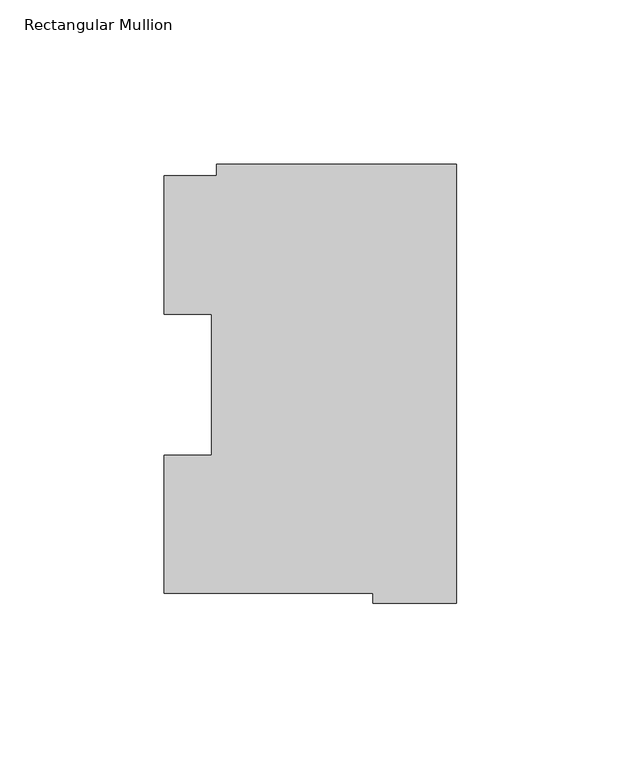
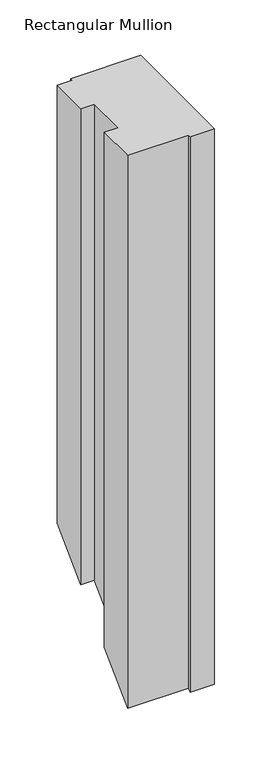
"""IFC4 building model written with IfcOpenShell, lengths in millimetres: member geometry, Rectangular Mullion."""

import ifcopenshell
import ifcopenshell.guid

model = None  # the IFC model being written
_history = None  # IfcOwnerHistory: only IFC2X3 demands one
_inside = {}  # id of a spatial element -> (the spatial element, [elements in it])
_under = {}  # id of a project, library or spatial element -> (it, [spatial elements below it])
_declared = {}  # id of a project -> (the project, [libraries it declares])
_typed = {}  # id of a type object -> (the type object, [elements of that type])
_made_of = {}  # id of a material, layer set ... -> (it, [elements and type objects made of it])


def new_model(schema):
    """Start an empty IFC model of exactly this schema.

    Asked for "IFC4X3", IfcOpenShell would pick the latest addendum, in which some entities
    have other attributes; the version numbers below select the first issue.
    IFC2X3 requires an IfcOwnerHistory on every rooted entity: one is made here for all.
    """
    global model, _history
    if schema == "IFC4X3":
        model = ifcopenshell.file(schema_version=(4, 3, 0, 0))
    else:
        model = ifcopenshell.file(schema=schema)
    _inside.clear()
    _under.clear()
    _declared.clear()
    _typed.clear()
    _made_of.clear()
    _history = None
    if model.schema == "IFC2X3":
        org = make("IfcOrganization", Name="unknown")
        user = make(
            "IfcPersonAndOrganization",
            ThePerson=make("IfcPerson", FamilyName="unknown"),
            TheOrganization=org,
        )
        app = make(
            "IfcApplication",
            ApplicationDeveloper=org,
            Version="unknown",
            ApplicationFullName="unknown",
            ApplicationIdentifier="unknown",
        )
        _history = make(
            "IfcOwnerHistory",
            OwningUser=user,
            OwningApplication=app,
            ChangeAction="ADDED",
            CreationDate=0,
        )
    return model


def make(cls, **values):
    """One entity of the class cls with the attributes given. An attribute that is None is left unset."""
    return model.create_entity(
        cls, **{name: value for name, value in values.items() if value is not None}
    )


def rooted(cls, **values):
    """An entity with a GlobalId (a new one), such as an element, a storey or a relation."""
    return make(cls, GlobalId=ifcopenshell.guid.new(), OwnerHistory=_history, **values)


def si_unit(unit_type, name, prefix=None):
    """IfcSIUnit, for example si_unit("LENGTHUNIT", "METRE", prefix="MILLI")."""
    return make("IfcSIUnit", UnitType=unit_type, Prefix=prefix, Name=name)


def assignment(units):
    """IfcUnitAssignment: the units of a project."""
    return None if units is None else make("IfcUnitAssignment", Units=units)


def point(xyz):
    """IfcCartesianPoint."""
    return None if xyz is None else make("IfcCartesianPoint", Coordinates=xyz)


def direction(xyz):
    """IfcDirection."""
    return None if xyz is None else make("IfcDirection", DirectionRatios=xyz)


def frame(location, z_axis=None, x_axis=None):
    """IfcAxis2Placement3D, a coordinate frame: its origin and axes. An axis left out is left unset."""
    return make(
        "IfcAxis2Placement3D",
        Location=point(location),
        Axis=direction(z_axis),
        RefDirection=direction(x_axis),
    )


def origin():
    """The frame at (0, 0, 0) with its axes left unset."""
    return frame((0.0, 0.0, 0.0))


def place(relative_to, where):
    """IfcLocalPlacement: puts the frame where relative to a parent placement (None: the world)."""
    return make(
        "IfcLocalPlacement", PlacementRelTo=relative_to, RelativePlacement=where
    )


def context(
    kind, dimensions, precision=None, world=None, true_north=None, identifier=None
):
    """IfcGeometricRepresentationContext, for example the 3D "Model" context."""
    return make(
        "IfcGeometricRepresentationContext",
        ContextIdentifier=identifier,
        ContextType=kind,
        CoordinateSpaceDimension=dimensions,
        Precision=precision,
        WorldCoordinateSystem=world,
        TrueNorth=true_north,
    )


def project(units=None, contexts=None):
    """IfcProject with its units and contexts."""
    return rooted(
        "IfcProject",
        Name="project",
        RepresentationContexts=contexts,
        UnitsInContext=assignment(units),
    )


def spatial(cls, under=None, at=None, **own):
    """A site, building, storey or space (cls), placed at a placement, below another one or the project."""
    s = rooted(cls, ObjectPlacement=at, **own)
    if under is not None:
        _under.setdefault(under.id(), (under, []))[1].append(s)
    return s


def faces_of(points, faces, orient=None, outer=None):
    """IfcFace entities. A face is a list of loops; a loop is a list of indices into points, from 0.

    orient and outer hold one flag for each loop. By default every Orientation is true, the
    first loop of a face is its IfcFaceOuterBound and the others are IfcFaceBound.
    """
    made = []
    for i, loops in enumerate(faces):
        bounds = []
        for j, loop in enumerate(loops):
            is_outer = j == 0 if outer is None else outer[i][j]
            bounds.append(
                make(
                    "IfcFaceOuterBound" if is_outer else "IfcFaceBound",
                    Bound=make("IfcPolyLoop", Polygon=[points[k] for k in loop]),
                    Orientation=True if orient is None else orient[i][j],
                )
            )
        made.append(make("IfcFace", Bounds=bounds))
    return made


def faceted_brep(points, faces, orient=None, outer=None, voids=None):
    """IfcFacetedBrep: a solid bounded by flat faces; with voids (closed shells), ...WithVoids."""
    shared = [point(p) for p in points]
    hull = make("IfcClosedShell", CfsFaces=faces_of(shared, faces, orient, outer))
    if voids is None:
        return make("IfcFacetedBrep", Outer=hull)
    return make(
        "IfcFacetedBrepWithVoids",
        Outer=hull,
        Voids=[
            make(cls, CfsFaces=faces_of(shared, fs, o, b)) for cls, fs, o, b in voids
        ],
    )


def shape(context_of_items, identifier, shape_type, items):
    """IfcShapeRepresentation: the items that make up one representation, for example the "Body"."""
    return make(
        "IfcShapeRepresentation",
        ContextOfItems=context_of_items,
        RepresentationIdentifier=identifier,
        RepresentationType=shape_type,
        Items=items,
    )


def source(mapping_origin, context_of_items, identifier, shape_type, items):
    """IfcRepresentationMap: a shape defined once, which mapped items show again and again."""
    return make(
        "IfcRepresentationMap",
        MappingOrigin=mapping_origin,
        MappedRepresentation=shape(context_of_items, identifier, shape_type, items),
    )


def transform(
    local_origin,
    x_axis=None,
    y_axis=None,
    z_axis=None,
    scale=None,
    scale2=None,
    scale3=None,
    uniform=True,
):
    """IfcCartesianTransformationOperator3D, or its non-uniform kind. x_axis, y_axis, z_axis: its Axis1, 2, 3."""
    if uniform:
        return make(
            "IfcCartesianTransformationOperator3D",
            Axis1=direction(x_axis),
            Axis2=direction(y_axis),
            LocalOrigin=point(local_origin),
            Scale=scale,
            Axis3=direction(z_axis),
        )
    return make(
        "IfcCartesianTransformationOperator3DnonUniform",
        Axis1=direction(x_axis),
        Axis2=direction(y_axis),
        LocalOrigin=point(local_origin),
        Scale=scale,
        Axis3=direction(z_axis),
        Scale2=scale2,
        Scale3=scale3,
    )


def mapped(mapping_source, mapping_target):
    """IfcMappedItem: shows the shape of a source again, moved by a transform."""
    return make(
        "IfcMappedItem", MappingSource=mapping_source, MappingTarget=mapping_target
    )


def made_of(thing, what):
    """Note that an element or type object is made of a material, layer set ...; save() writes the relation."""
    if what is not None:
        _made_of.setdefault(what.id(), (what, []))[1].append(thing)
    return thing


def element(
    cls,
    number,
    at=None,
    inside=None,
    cuts=None,
    type_object=None,
    material=None,
    context=None,
    identifier="Body",
    shape_type=None,
    held_by="IfcProductDefinitionShape",
    body=None,
    shapes=None,
    **own,
):
    """One element of the class cls, such as IfcWall. Its Tag is "e" and its number.

    at: its placement. inside: the storey or other place that contains it. cuts: it is an
    opening in that element (IfcRelVoidsElement). A single representation is given by context,
    identifier, shape_type and body (its items); several are given by shapes. held_by: the class
    of the entity that holds the representations. save() writes the other relations.
    """
    e = rooted(cls, Tag="e%d" % number, ObjectPlacement=at, **own)
    if body is not None:
        shapes = [shape(context, identifier, shape_type, body)]
    if shapes is not None:
        e.Representation = make(held_by, Representations=shapes)
    if inside is not None:
        _inside.setdefault(inside.id(), (inside, []))[1].append(e)
    if cuts is not None:
        rooted(
            "IfcRelVoidsElement", RelatingBuildingElement=cuts, RelatedOpeningElement=e
        )
    if type_object is not None:
        _typed.setdefault(type_object.id(), (type_object, []))[1].append(e)
    return made_of(e, material)


def aggregate(whole, parts):
    """IfcRelAggregates: a whole, such as a stair, and the parts it consists of."""
    return rooted("IfcRelAggregates", RelatingObject=whole, RelatedObjects=parts)


def save(model, path):
    """Write the relations noted so far, then the file.

    IfcRelAggregates (storeys below a building ...), IfcRelContainedInSpatialStructure (elements
    in a storey), IfcRelDefinesByType, IfcRelAssociatesMaterial and IfcRelDeclares: one each for
    every whole, place, type object, material and project.
    """
    for whole, parts in _under.values():
        aggregate(whole, parts)
    for where, things in _inside.values():
        rooted(
            "IfcRelContainedInSpatialStructure",
            RelatedElements=things,
            RelatingStructure=where,
        )
    for kind, things in _typed.values():
        rooted("IfcRelDefinesByType", RelatedObjects=things, RelatingType=kind)
    for what, things in _made_of.values():
        rooted("IfcRelAssociatesMaterial", RelatedObjects=things, RelatingMaterial=what)
    for by, libraries in _declared.values():
        rooted("IfcRelDeclares", RelatingContext=by, RelatedDefinitions=libraries)
    model.write(path)


def rectangular_mullion_bdfb31a0(model_context):
    return source(origin(), model_context, "Body", "Brep", [
        faceted_brep([(-88.8772701, 127.006348, 0.0), (-88.8772701, 84.93125, 0.0), (-74.4684922, 84.93125, 0.0), (-74.4684922, 42.0814491, 0.0), (-88.8772701, 42.0814491, 0.0), (-88.8772701, 0.0063465, 0.0), (-25.3772701, 0.0063465, 0.0), (-25.3772701, -2.939538, 0.0), (0.0, -2.939538, 0.0), (0.0, 130.4246837, 0.0), (-73.025, 130.4246837, 0.0), (-73.025, 127.006348, 0.0), (-88.8772701, 127.006348, -482.593652), (-88.8772701, 84.93125, -524.66875), (-74.4684922, 84.93125, -524.66875), (-74.4684922, 42.0814491, -567.5185509), (-88.8772701, 42.0814491, -567.5185509), (-88.8772701, 0.0063465, -609.5936535), (-25.3772701, 0.0063465, -609.5936535), (-25.3772701, -2.939538, -612.539538), (0.0, -2.939538, -612.539538), (0.0, 130.4246837, -479.1753163), (-73.025, 127.006348, -482.593652), (-73.025, 130.4246837, -479.1753163)], [[[0, 1, 2, 3, 4, 5, 6, 7, 8, 9, 10, 11]], [[1, 0, 12, 13]], [[2, 1, 13, 14]], [[3, 2, 14, 15]], [[4, 3, 15, 16]], [[5, 4, 16, 17]], [[6, 5, 17, 18]], [[7, 6, 18, 19]], [[8, 7, 19, 20]], [[9, 8, 20, 21]], [[0, 11, 22, 12]], [[12, 22, 23, 21, 20, 19, 18, 17, 16, 15, 14, 13]], [[10, 9, 21, 23]], [[11, 10, 23, 22]]]),
    ])


if __name__ == "__main__":
    model = new_model("IFC4")
    model_context = context("Model", 3, world=origin())
    ifc_project = project(units=[si_unit("LENGTHUNIT", "METRE", prefix="MILLI")], contexts=[model_context])
    site = spatial("IfcSite", under=ifc_project)
    building = spatial("IfcBuilding", under=site)
    placement = place(None, origin())
    rectangular_mullion_shape = rectangular_mullion_bdfb31a0(model_context)
    element("IfcMember", 1, ObjectType="Rectangular Mullion", at=placement, inside=building, context=model_context, shape_type="MappedRepresentation", body=[
        mapped(rectangular_mullion_shape, transform((0.0, 0.0, 0.0), x_axis=(1.0, 0.0, 0.0), y_axis=(0.0, 1.0, 0.0), z_axis=(0.0, 0.0, 1.0))),
    ])
    save(model, "model.ifc")
